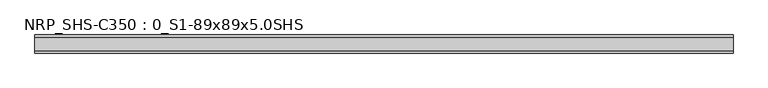
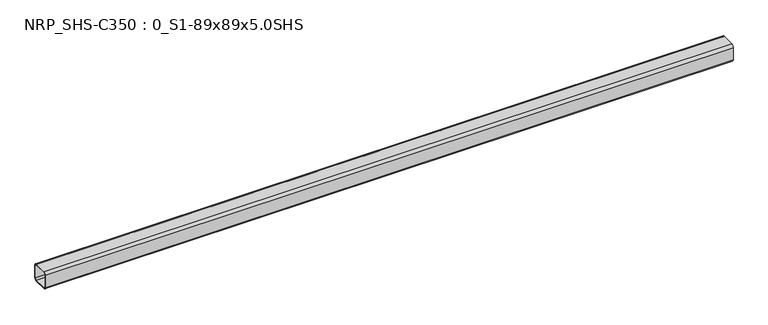
"""IFC4 building model written with IfcOpenShell, lengths in millimetres: beam geometry, NRP_SHS-C350 : 0_S1-89x89x5.0SHS."""

from ifc_helpers import new_model, si_unit, point, frame, frame_2d, origin, place, context, project, spatial, polyline, circle_curve, trimmed, segment, composite_curve, outline, extrude, source, transform, mapped, element, save


def nrp_shs_c350_0_s1_89x89x5_0shs_96ab3322(model_context):
    return source(origin(), model_context, "Body", "SweptSolid", [
        extrude(outline(composite_curve([segment(polyline([(44.5, 32.0), (44.5, -32.0)]), True, "CONTINUOUS"), segment(trimmed(circle_curve(frame_2d((32.0, -32.0)), 12.5), [point((44.5, -32.0))], [point((32.0, -44.5))], False, "CARTESIAN"), True, "CONTINUOUS"), segment(polyline([(32.0, -44.5), (-32.0, -44.5)]), True, "CONTINUOUS"), segment(trimmed(circle_curve(frame_2d((-32.0, -32.0)), 12.5), [point((-32.0, -44.5))], [point((-44.5, -32.0))], False, "CARTESIAN"), True, "CONTINUOUS"), segment(polyline([(-44.5, -32.0), (-44.5, 32.0)]), True, "CONTINUOUS"), segment(trimmed(circle_curve(frame_2d((-32.0, 32.0)), 12.5), [point((-44.5, 32.0))], [point((-32.0, 44.5))], False, "CARTESIAN"), True, "CONTINUOUS"), segment(polyline([(-32.0, 44.5), (32.0, 44.5)]), True, "CONTINUOUS"), segment(trimmed(circle_curve(frame_2d((32.0, 32.0)), 12.5), [point((32.0, 44.5))], [point((44.5, 32.0))], False, "CARTESIAN"), True, "CONTINUOUS")], self_intersect=False), holes=[composite_curve([segment(trimmed(circle_curve(frame_2d((-32.0, 32.0)), 7.5), [point((-32.0, 39.5))], [point((-39.5, 32.0))], True, "CARTESIAN"), True, "CONTINUOUS"), segment(polyline([(-39.5, 32.0), (-39.5, -32.0)]), True, "CONTINUOUS"), segment(trimmed(circle_curve(frame_2d((-32.0, -32.0)), 7.5), [point((-39.5, -32.0))], [point((-32.0, -39.5))], True, "CARTESIAN"), True, "CONTINUOUS"), segment(polyline([(-32.0, -39.5), (32.0, -39.5)]), True, "CONTINUOUS"), segment(trimmed(circle_curve(frame_2d((32.0, -32.0)), 7.5), [point((32.0, -39.5))], [point((39.5, -32.0))], True, "CARTESIAN"), True, "CONTINUOUS"), segment(polyline([(39.5, -32.0), (39.5, 32.0)]), True, "CONTINUOUS"), segment(trimmed(circle_curve(frame_2d((32.0, 32.0)), 7.5), [point((39.5, 32.0))], [point((32.0, 39.5))], True, "CARTESIAN"), True, "CONTINUOUS"), segment(polyline([(32.0, 39.5), (-32.0, 39.5)]), True, "CONTINUOUS")], self_intersect=False)]), frame((-1712.0, 0.0, 0.0), z_axis=(1.0, 0.0, 0.0), x_axis=(0.0, 1.0, 0.0)), (0.0, 0.0, 1.0), 3422.0),
    ])


if __name__ == "__main__":
    model = new_model("IFC4")
    model_context = context("Model", 3, world=origin())
    ifc_project = project(units=[si_unit("LENGTHUNIT", "METRE", prefix="MILLI")], contexts=[model_context])
    site = spatial("IfcSite", under=ifc_project)
    building = spatial("IfcBuilding", under=site)
    placement = place(None, origin())
    nrp_shs_c350_0_s1_89x89x5_0shs_shape = nrp_shs_c350_0_s1_89x89x5_0shs_96ab3322(model_context)
    element("IfcBeam", 1, ObjectType="NRP_SHS-C350 : 0_S1-89x89x5.0SHS", at=placement, inside=building, context=model_context, shape_type="MappedRepresentation", body=[
        mapped(nrp_shs_c350_0_s1_89x89x5_0shs_shape, transform((0.0, 0.0, 0.0), x_axis=(1.0, 0.0, 0.0), y_axis=(0.0, 1.0, 0.0), z_axis=(0.0, 0.0, 1.0))),
    ])
    save(model, "model.ifc")
